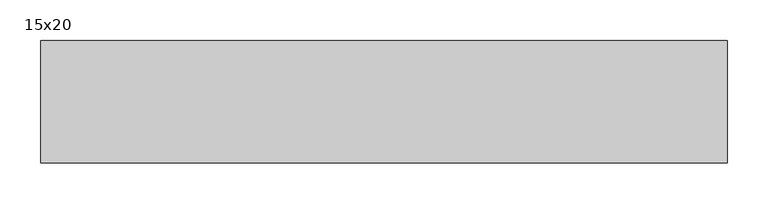
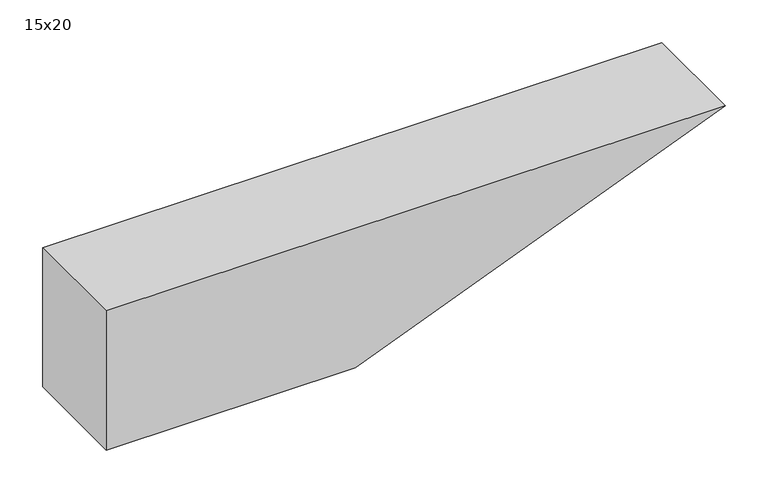
"""IFC4 building model written with IfcOpenShell, lengths in millimetres: beam geometry, 15x20."""

from ifc_helpers import new_model, si_unit, frame, origin, place, context, project, spatial, polyline, outline, extrude, source, transform, mapped, element, save


def beam_15x20_c0292645(model_context):
    return source(origin(), model_context, "Body", "SweptSolid", [
        extrude(outline(polyline([(100.0, -297.0), (-100.0, -297.0), (-100.0, 40.8), (100.0, 543.0), (100.0, -297.0)])), frame((0.0, -75.0, 0.0), z_axis=(0.0, 1.0, 0.0), x_axis=(0.0, 0.0, 1.0)), (0.0, 0.0, 1.0), 150.0),
    ])


if __name__ == "__main__":
    model = new_model("IFC4")
    model_context = context("Model", 3, world=origin())
    ifc_project = project(units=[si_unit("LENGTHUNIT", "METRE", prefix="MILLI")], contexts=[model_context])
    site = spatial("IfcSite", under=ifc_project)
    building = spatial("IfcBuilding", under=site)
    placement = place(None, origin())
    beam_15x20_shape = beam_15x20_c0292645(model_context)
    element("IfcBeam", 1, ObjectType="15x20", at=placement, inside=building, context=model_context, shape_type="MappedRepresentation", body=[
        mapped(beam_15x20_shape, transform((0.0, 0.0, 0.0), x_axis=(1.0, 0.0, 0.0), y_axis=(0.0, 1.0, 0.0), z_axis=(0.0, 0.0, 1.0))),
    ])
    save(model, "model.ifc")
